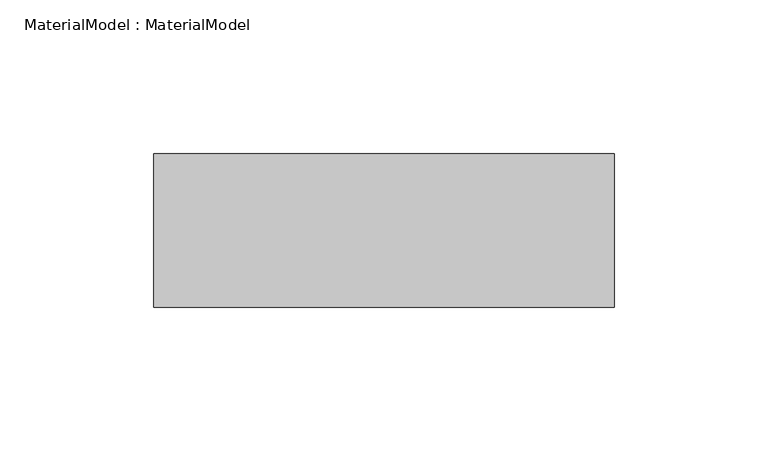
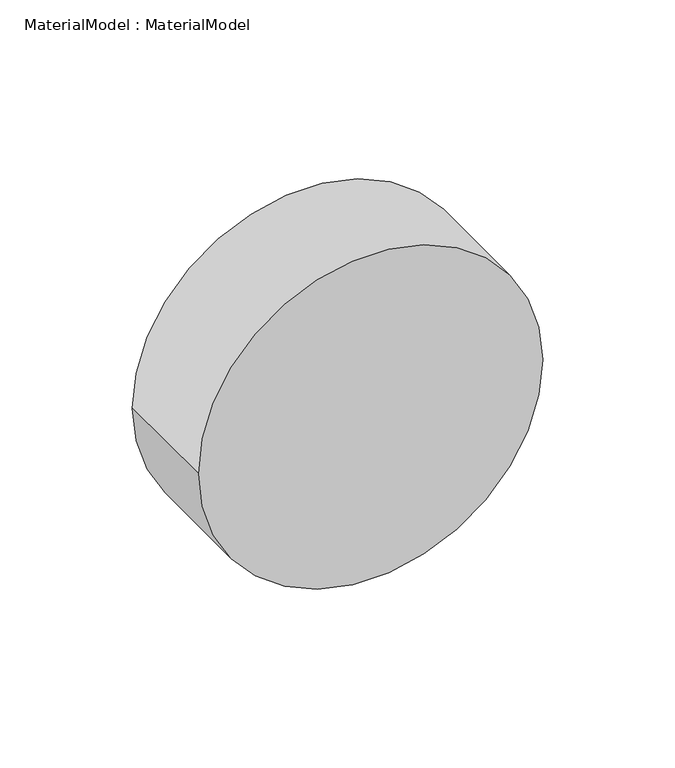
"""IFC4 building model written with IfcOpenShell, lengths in millimetres: proxy geometry, MaterialModel : MaterialModel."""

from ifc_helpers import new_model, si_unit, point, frame, frame_2d, origin, place, context, project, spatial, circle_curve, trimmed, segment, composite_curve, outline, extrude, source, transform, mapped, element, save


def materialmodel_materialmodel_fd2eb195(model_context):
    return source(origin(), model_context, "Body", "SweptSolid", [
        extrude(outline(composite_curve([segment(trimmed(circle_curve(frame_2d((75.0, 0.0)), 75.0), [point((75.0, -75.0))], [point((75.0, 75.0))], False, "CARTESIAN"), True, "CONTINUOUS"), segment(trimmed(circle_curve(frame_2d((75.0, 0.0)), 75.0), [point((75.0, 75.0))], [point((75.0, -75.0))], False, "CARTESIAN"), True, "CONTINUOUS")], self_intersect=False)), frame((0.0, -50.0, 0.0), z_axis=(0.0, 1.0, 0.0), x_axis=(0.0, 0.0, 1.0)), (0.0, 0.0, 1.0), 50.0),
    ])


if __name__ == "__main__":
    model = new_model("IFC4")
    model_context = context("Model", 3, world=origin())
    ifc_project = project(units=[si_unit("LENGTHUNIT", "METRE", prefix="MILLI")], contexts=[model_context])
    site = spatial("IfcSite", under=ifc_project)
    building = spatial("IfcBuilding", under=site)
    placement = place(None, origin())
    materialmodel_materialmodel_shape = materialmodel_materialmodel_fd2eb195(model_context)
    element("IfcBuildingElementProxy", 1, Name="MaterialModel : MaterialModel", ObjectType="MaterialModel : MaterialModel", at=placement, inside=building, context=model_context, shape_type="MappedRepresentation", body=[
        mapped(materialmodel_materialmodel_shape, transform((0.0, 0.0, 0.0), x_axis=(1.0, 0.0, 0.0), y_axis=(0.0, 1.0, 0.0), z_axis=(0.0, 0.0, 1.0))),
    ])
    save(model, "model.ifc")
